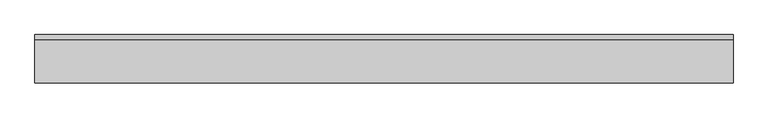
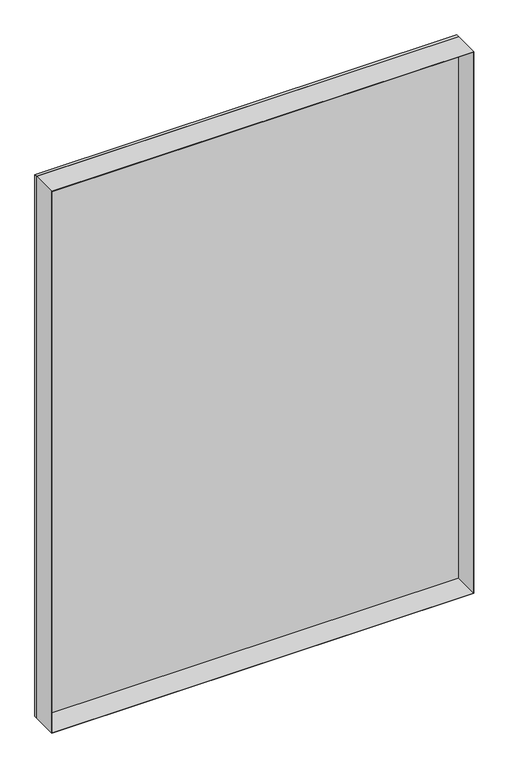
"""IFC4 building model written with IfcOpenShell, lengths in millimetres: plate geometry."""

from ifc_helpers import new_model, si_unit, frame, origin, origin_with_axes, place, context, project, spatial, polyline, outline, extrude, source, transform, mapped, element, save


def plate_562518be(model_context):
    return source(origin(), model_context, "Body", "SweptSolid", [
        extrude(outline(polyline([(1464.75, -539.6875001), (0.0, -539.6875001), (0.0, 539.6875001), (1464.75, 539.6875001), (1464.75, -539.6875001)]), holes=[polyline([(1463.75, -538.6875001), (1463.75, 538.6875001), (1.0, 538.6875001), (1.0, -538.6875001), (1463.75, -538.6875001)])]), frame((0.0, -37.2, 0.0), z_axis=(0.0, 1.0, 0.0), x_axis=(0.0, 0.0, 1.0)), (0.0, 0.0, 1.0), 66.4),
        extrude(outline(polyline([(539.6875001, 29.2), (-539.6875001, 29.2), (-539.6875001, 37.2), (539.6875001, 37.2), (539.6875001, 29.2)])), origin_with_axes(), (0.0, 0.0, 1.0), 1464.75),
    ])


if __name__ == "__main__":
    model = new_model("IFC4")
    model_context = context("Model", 3, world=origin())
    ifc_project = project(units=[si_unit("LENGTHUNIT", "METRE", prefix="MILLI")], contexts=[model_context])
    site = spatial("IfcSite", under=ifc_project)
    building = spatial("IfcBuilding", under=site)
    placement = place(None, origin())
    plate_shape = plate_562518be(model_context)
    element("IfcPlate", 1, at=placement, inside=building, context=model_context, shape_type="MappedRepresentation", body=[
        mapped(plate_shape, transform((0.0, 0.0, 0.0), x_axis=(1.0, 0.0, 0.0), y_axis=(0.0, 1.0, 0.0), z_axis=(0.0, 0.0, 1.0))),
    ])
    save(model, "model.ifc")
